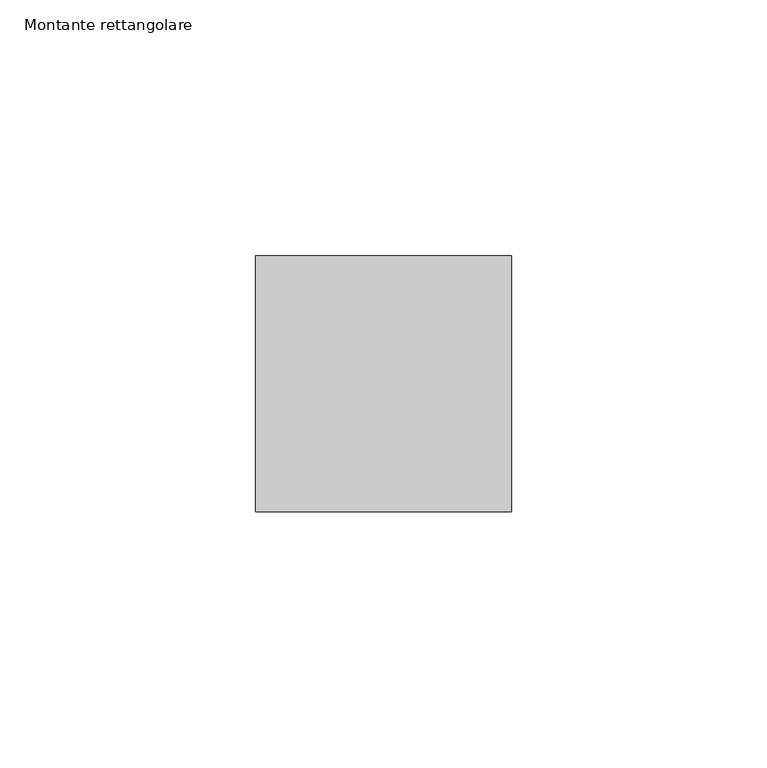
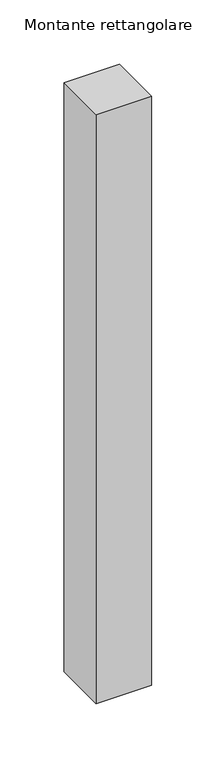
"""IFC4 building model written with IfcOpenShell, lengths in millimetres: member geometry, Montante rettangolare."""

from ifc_helpers import new_model, si_unit, frame, origin, place, context, project, spatial, polyline, outline, extrude, source, transform, mapped, element, save


def montante_rettangolare_0ba9250f(model_context):
    return source(origin(), model_context, "Body", "SweptSolid", [
        extrude(outline(polyline([(25.0, 25.0), (25.0, -25.0), (-25.0, -25.0), (-25.0, 25.0), (25.0, 25.0)])), frame((0.0, 0.0, -560.0), z_axis=(0.0, 0.0, 1.0), x_axis=(1.0, 0.0, 0.0)), (0.0, 0.0, 1.0), 560.0),
    ])


if __name__ == "__main__":
    model = new_model("IFC4")
    model_context = context("Model", 3, world=origin())
    ifc_project = project(units=[si_unit("LENGTHUNIT", "METRE", prefix="MILLI")], contexts=[model_context])
    site = spatial("IfcSite", under=ifc_project)
    building = spatial("IfcBuilding", under=site)
    placement = place(None, origin())
    montante_rettangolare_shape = montante_rettangolare_0ba9250f(model_context)
    element("IfcMember", 1, ObjectType="Montante rettangolare", at=placement, inside=building, context=model_context, shape_type="MappedRepresentation", body=[
        mapped(montante_rettangolare_shape, transform((0.0, 0.0, 0.0), x_axis=(1.0, 0.0, 0.0), y_axis=(0.0, 1.0, 0.0), z_axis=(0.0, 0.0, 1.0))),
    ])
    save(model, "model.ifc")
